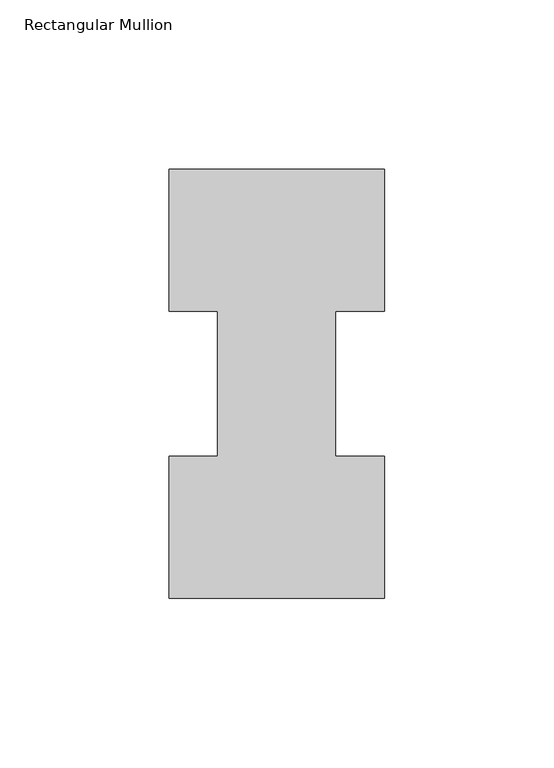
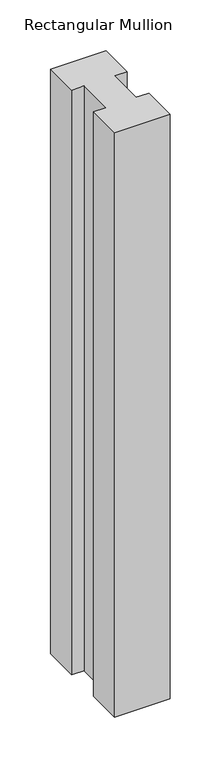
"""IFC4 building model written with IfcOpenShell, lengths in millimetres: member geometry, Rectangular Mullion."""

from ifc_helpers import new_model, si_unit, frame, origin, place, context, project, spatial, polyline, outline, extrude, source, transform, mapped, element, save


def rectangular_mullion_03eb1c71(model_context):
    return source(origin(), model_context, "Body", "SweptSolid", [
        extrude(outline(polyline([(-63.5, -0.0373062), (-63.5, 41.7837937), (-49.2125, 41.7837937), (-49.2125, 84.6335938), (-63.5, 84.6335938), (-63.5, 126.4546937), (0.0, 126.4546938), (0.0, 84.6335938), (-14.4999808, 84.6335938), (-14.4999808, 41.7837937), (0.0, 41.7837937), (0.0, -0.0373062), (-63.5, -0.0373062)])), frame((0.0, 0.0, -704.81825), z_axis=(0.0, 0.0, 1.0), x_axis=(1.0, 0.0, 0.0)), (0.0, 0.0, 1.0), 704.81825),
    ])


if __name__ == "__main__":
    model = new_model("IFC4")
    model_context = context("Model", 3, world=origin())
    ifc_project = project(units=[si_unit("LENGTHUNIT", "METRE", prefix="MILLI")], contexts=[model_context])
    site = spatial("IfcSite", under=ifc_project)
    building = spatial("IfcBuilding", under=site)
    placement = place(None, origin())
    rectangular_mullion_shape = rectangular_mullion_03eb1c71(model_context)
    element("IfcMember", 1, ObjectType="Rectangular Mullion", at=placement, inside=building, context=model_context, shape_type="MappedRepresentation", body=[
        mapped(rectangular_mullion_shape, transform((0.0, 0.0, 0.0), x_axis=(1.0, 0.0, 0.0), y_axis=(0.0, 1.0, 0.0), z_axis=(0.0, 0.0, 1.0))),
    ])
    save(model, "model.ifc")
